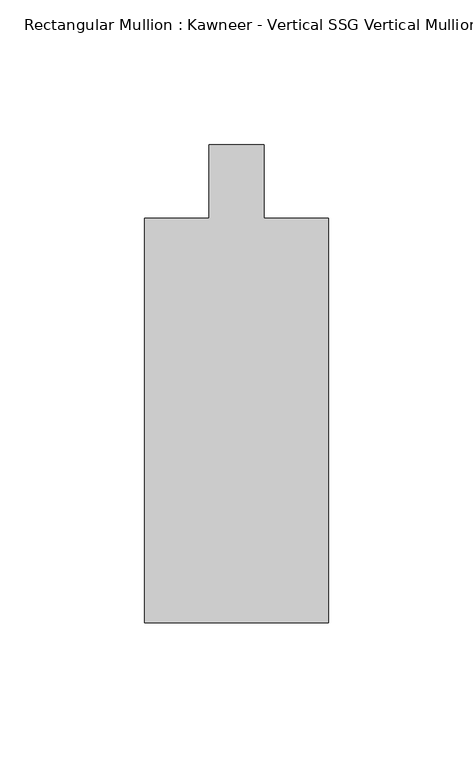
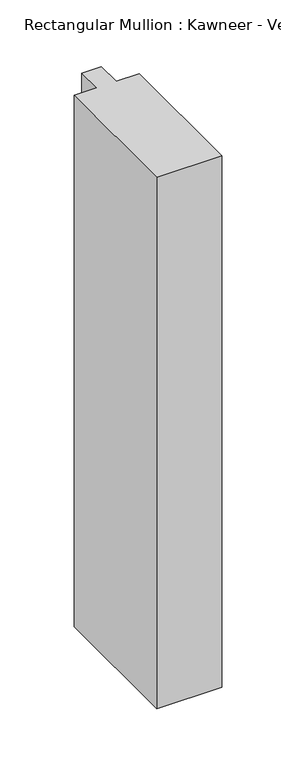
"""IFC4 building model written with IfcOpenShell, lengths in millimetres: member geometry."""

from ifc_helpers import new_model, si_unit, frame, origin, place, context, project, spatial, polyline, outline, extrude, source, transform, mapped, element, save


def member_58e99ba9(model_context):
    return source(origin(), model_context, "Body", "SweptSolid", [
        extrude(outline(polyline([(-31.75, -12.7), (-9.5251132, -12.7), (-9.5251132, 12.7), (9.5251132, 12.7), (9.5251132, -12.7), (31.75, -12.7), (31.75, -152.399995), (-31.75, -152.399995), (-31.75, -12.7)])), frame((0.0, 0.0, -549.2750377), z_axis=(0.0, 0.0, 1.0), x_axis=(1.0, 0.0, 0.0)), (0.0, 0.0, 1.0), 549.2750377),
    ])


if __name__ == "__main__":
    model = new_model("IFC4")
    model_context = context("Model", 3, world=origin())
    ifc_project = project(units=[si_unit("LENGTHUNIT", "METRE", prefix="MILLI")], contexts=[model_context])
    site = spatial("IfcSite", under=ifc_project)
    building = spatial("IfcBuilding", under=site)
    placement = place(None, origin())
    member_shape = member_58e99ba9(model_context)
    element("IfcMember", 1, ObjectType="Rectangular Mullion : Kawneer - Vertical SSG Vertical Mullion - 7 1/2\"", at=placement, inside=building, context=model_context, shape_type="MappedRepresentation", body=[
        mapped(member_shape, transform((0.0, 0.0, 0.0), x_axis=(1.0, 0.0, 0.0), y_axis=(0.0, 1.0, 0.0), z_axis=(0.0, 0.0, 1.0))),
    ])
    save(model, "model.ifc")
